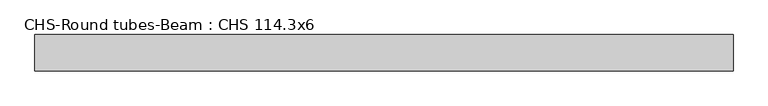
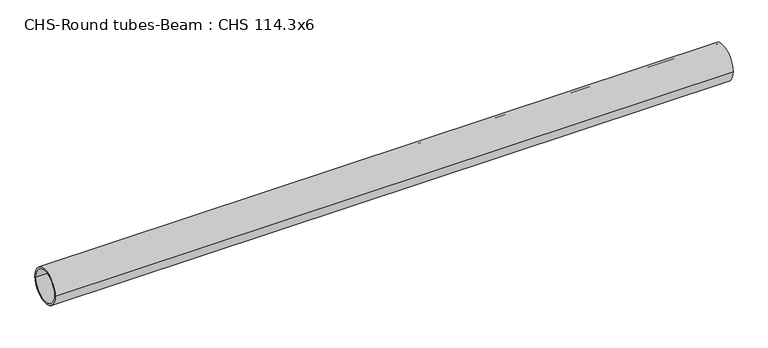
"""IFC4 building model written with IfcOpenShell, lengths in millimetres: beam geometry, CHS-Round tubes-Beam : CHS 114.3x6."""

from ifc_helpers import new_model, si_unit, point, frame, origin, origin_2d, place, context, project, spatial, circle_curve, trimmed, segment, composite_curve, outline, extrude, source, transform, mapped, element, save


def chs_round_tubes_beam_chs_114_3x6_fde956da(model_context):
    return source(origin(), model_context, "Body", "SweptSolid", [
        extrude(outline(composite_curve([segment(trimmed(circle_curve(origin_2d(), 57.15), [point((57.15, 0.0))], [point((-57.15, 0.0))], False, "CARTESIAN"), True, "CONTINUOUS"), segment(trimmed(circle_curve(origin_2d(), 57.15), [point((-57.15, 0.0))], [point((57.15, 0.0))], False, "CARTESIAN"), True, "CONTINUOUS")], self_intersect=False), holes=[composite_curve([segment(trimmed(circle_curve(origin_2d(), 51.15), [point((51.15, 0.0))], [point((-51.15, 0.0))], True, "CARTESIAN"), True, "CONTINUOUS"), segment(trimmed(circle_curve(origin_2d(), 51.15), [point((-51.15, 0.0))], [point((51.15, 0.0))], True, "CARTESIAN"), True, "CONTINUOUS")], self_intersect=False)]), frame((-1072.2233708, 0.0, 0.0), z_axis=(1.0, 0.0, 0.0), x_axis=(0.0, 1.0, 0.0)), (0.0, 0.0, 1.0), 2195.7461841),
    ])


if __name__ == "__main__":
    model = new_model("IFC4")
    model_context = context("Model", 3, world=origin())
    ifc_project = project(units=[si_unit("LENGTHUNIT", "METRE", prefix="MILLI")], contexts=[model_context])
    site = spatial("IfcSite", under=ifc_project)
    building = spatial("IfcBuilding", under=site)
    placement = place(None, origin())
    chs_round_tubes_beam_chs_114_3x6_shape = chs_round_tubes_beam_chs_114_3x6_fde956da(model_context)
    element("IfcBeam", 1, ObjectType="CHS-Round tubes-Beam : CHS 114.3x6", at=placement, inside=building, context=model_context, shape_type="MappedRepresentation", body=[
        mapped(chs_round_tubes_beam_chs_114_3x6_shape, transform((0.0, 0.0, 0.0), x_axis=(1.0, 0.0, 0.0), y_axis=(0.0, 1.0, 0.0), z_axis=(0.0, 0.0, 1.0))),
    ])
    save(model, "model.ifc")
